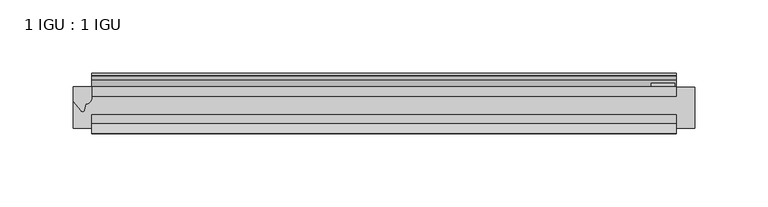
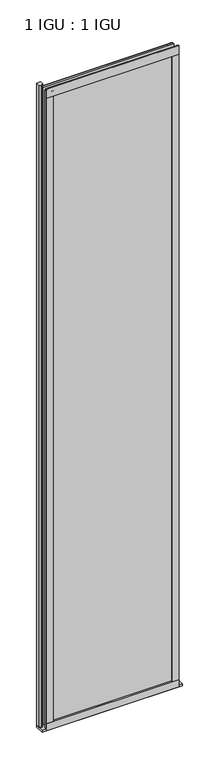
"""IFC4 building model written with IfcOpenShell, lengths in millimetres: plate geometry, 1 IGU : 1 IGU."""

from ifc_helpers import new_model, si_unit, point, frame, frame_2d, origin, place, context, project, spatial, polyline, circle_curve, trimmed, segment, composite_curve, outline, extrude, source, transform, mapped, element, save


def plate_1_igu_1_igu_6e4f6d81(model_context):
    return source(origin(), model_context, "Body", "SweptSolid", [
        extrude(outline(polyline([(200.025, 0.0021347), (200.025, -6.2992), (-200.025, -6.2992), (-200.025, 0.0021347), (200.025, 0.0021347)])), frame((0.0, 0.0, -19.05), z_axis=(0.0, 0.0, 1.0), x_axis=(1.0, 0.0, 0.0)), (0.0, 0.0, 1.0), 2036.7498001),
        extrude(outline(polyline([(-200.025, -19.0986653), (200.025, -19.0986653), (200.025, -25.3978653), (-200.025, -25.3978653), (-200.025, -19.0986653)])), frame((0.0, 0.0, -19.05), z_axis=(0.0, 0.0, 1.0), x_axis=(1.0, 0.0, 0.0)), (0.0, 0.0, 1.0), 2036.7498001),
        extrude(outline(composite_curve([segment(trimmed(circle_curve(frame_2d((10.9021792, -22.6833935)), 11.4916952), [point((0.0, -19.05))], [point((-0.2638007, -25.4))], True, "CARTESIAN"), True, "CONTINUOUS"), segment(polyline([(-0.2638007, -25.4), (-27.9952564, -25.4), (-27.9952564, -19.05), (0.0, -19.05)]), True, "CONTINUOUS")], self_intersect=False)), frame((-212.725, 0.0, 0.0), z_axis=(1.0, 0.0, 0.0), x_axis=(0.0, 1.0, 0.0)), (0.0, 0.0, 1.0), 425.45),
        extrude(outline(composite_curve([segment(polyline([(-200.025, 8.8e-06), (-200.025, -7.7683362)]), True, "CONTINUOUS"), segment(trimmed(circle_curve(frame_2d((-203.9964979, -7.7683362)), 3.9714979), [point((-200.025, -7.7683362))], [point((-204.1239498, -11.7377885))], False, "CARTESIAN"), True, "CONTINUOUS"), segment(polyline([(-204.1239498, -11.7377885), (-205.1039843, -16.012436)]), True, "CONTINUOUS"), segment(trimmed(circle_curve(frame_2d((-206.2051933, -15.7723555)), 1.1270758), [point((-205.1039843, -16.012436))], [point((-207.1590327, -16.372764))], False, "CARTESIAN"), True, "CONTINUOUS"), segment(polyline([(-207.1590327, -16.372764), (-212.725, -9.7395025), (-212.725, 8.8e-06), (-200.025, 8.8e-06)]), True, "CONTINUOUS")], self_intersect=False)), frame((0.0, 0.0, -19.05), z_axis=(0.0, 0.0, 1.0), x_axis=(1.0, 0.0, 0.0)), (0.0, 0.0, 1.0), 2051.8374001),
        extrude(outline(composite_curve([segment(polyline([(-31.75, 0.0), (-25.4, 0.0), (-25.4, -22.225)]), True, "CONTINUOUS"), segment(trimmed(circle_curve(frame_2d((-28.575, -28.9113452)), 7.4018806), [point((-25.4, -22.225))], [point((-31.75, -22.225))], True, "CARTESIAN"), True, "CONTINUOUS"), segment(polyline([(-31.75, -22.225), (-31.75, 0.0)]), True, "CONTINUOUS")], self_intersect=False)), frame((-200.025, 0.0, 0.0), z_axis=(1.0, 0.0, 0.0), x_axis=(0.0, 1.0, 0.0)), (0.0, 0.0, 1.0), 400.05),
        extrude(outline(composite_curve([segment(trimmed(circle_curve(frame_2d((-23.3689302, 2041.8664901)), 40.3187601), [point((0.0, 2009.0108131))], [point((4.9746073, 2013.1916528))], True, "CARTESIAN"), True, "CONTINUOUS"), segment(trimmed(circle_curve(frame_2d((5.8674, 2012.2884246)), 1.27), [point((4.9746073, 2013.1916528))], [point((7.1374, 2012.2884246))], False, "CARTESIAN"), True, "CONTINUOUS"), segment(polyline([(7.1374, 2012.2884246), (7.1374, 2007.8876169), (7.7309478, 2005.6724663), (6.35, 2005.4379789), (6.35, 2000.2500001), (9.3980339, 2000.2500001), (9.3980339, 1998.8684051)]), True, "CONTINUOUS"), segment(trimmed(circle_curve(frame_2d((13.6593785, 1967.8551528)), 31.3046461), [point((9.3980339, 1998.8684051))], [point((0.0, 1996.0225498))], True, "CARTESIAN"), True, "CONTINUOUS"), segment(polyline([(0.0, 1996.0225498), (0.0, 2009.0108131)]), True, "CONTINUOUS")], self_intersect=False)), frame((-200.025, 0.0, 0.0), z_axis=(1.0, 0.0, 0.0), x_axis=(0.0, 1.0, 0.0)), (0.0, 0.0, 1.0), 400.05),
        extrude(outline(composite_curve([segment(polyline([(-25.4, 2025.6500001), (-25.4, 2000.2500001), (-31.75, 2000.2500001), (-31.75, 2028.4228974)]), True, "CONTINUOUS"), segment(trimmed(circle_curve(frame_2d((-24.1401272, 2037.1924116)), 11.6109665), [point((-31.75, 2028.4228974))], [point((-25.4, 2025.6500001))], True, "CARTESIAN"), True, "CONTINUOUS")], self_intersect=False)), frame((-200.025, 0.0, 0.0), z_axis=(1.0, 0.0, 0.0), x_axis=(0.0, 1.0, 0.0)), (0.0, 0.0, 1.0), 400.05),
        extrude(outline(composite_curve([segment(polyline([(180.975, -25.4), (200.025, -25.4)]), True, "CONTINUOUS"), segment(trimmed(circle_curve(frame_2d((209.4911507, -28.575)), 9.9844196), [point((200.025, -25.4))], [point((200.025, -31.75))], True, "CARTESIAN"), True, "CONTINUOUS"), segment(polyline([(200.025, -31.75), (180.975, -31.75), (180.975, -25.4)]), True, "CONTINUOUS")], self_intersect=False)), frame((0.0, 0.0, -19.05), z_axis=(0.0, 0.0, 1.0), x_axis=(1.0, 0.0, 0.0)), (0.0, 0.0, 1.0), 2036.7498001),
        extrude(outline(polyline([(198.8185, 2.2860088), (198.8185, 0.0021347), (182.9435, 0.0021347), (182.9435, 2.2860088), (198.8185, 2.2860088)])), frame((0.0, 0.0, -19.05), z_axis=(0.0, 0.0, 1.0), x_axis=(1.0, 0.0, 0.0)), (0.0, 0.0, 1.0), 2036.7498001),
        extrude(outline(composite_curve([segment(trimmed(circle_curve(frame_2d((-209.4911507, -28.575)), 9.9844196), [point((-200.025, -31.75))], [point((-200.025, -25.4))], True, "CARTESIAN"), True, "CONTINUOUS"), segment(polyline([(-200.025, -25.4), (-180.975, -25.4), (-180.975, -31.75), (-200.025, -31.75)]), True, "CONTINUOUS")], self_intersect=False)), frame((0.0, 0.0, -19.05), z_axis=(0.0, 0.0, 1.0), x_axis=(1.0, 0.0, 0.0)), (0.0, 0.0, 1.0), 2036.7498001),
    ])


if __name__ == "__main__":
    model = new_model("IFC4")
    model_context = context("Model", 3, world=origin())
    ifc_project = project(units=[si_unit("LENGTHUNIT", "METRE", prefix="MILLI")], contexts=[model_context])
    site = spatial("IfcSite", under=ifc_project)
    building = spatial("IfcBuilding", under=site)
    placement = place(None, origin())
    plate_1_igu_1_igu_shape = plate_1_igu_1_igu_6e4f6d81(model_context)
    element("IfcPlate", 1, ObjectType="1 IGU : 1 IGU", at=placement, inside=building, context=model_context, shape_type="MappedRepresentation", body=[
        mapped(plate_1_igu_1_igu_shape, transform((0.0, 0.0, 0.0), x_axis=(1.0, 0.0, 0.0), y_axis=(0.0, 1.0, 0.0), z_axis=(0.0, 0.0, 1.0))),
    ])
    save(model, "model.ifc")
